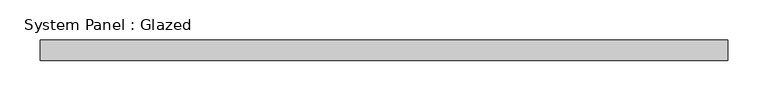
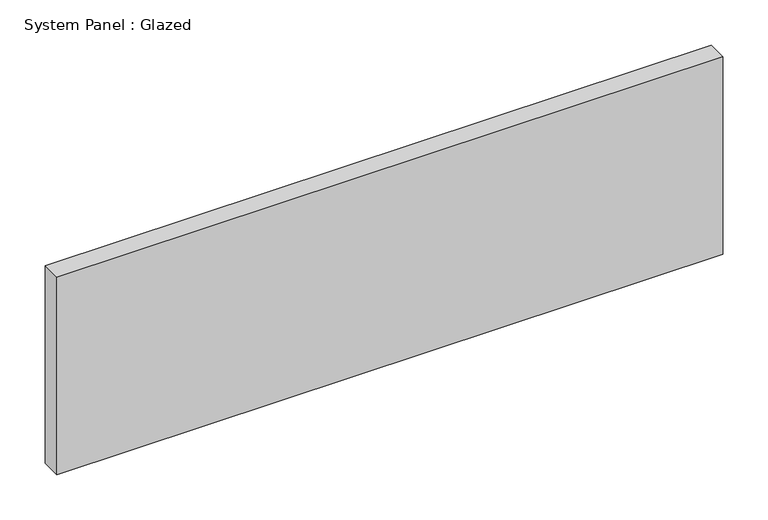
"""IFC4 building model written with IfcOpenShell, lengths in millimetres: plate geometry, System Panel : Glazed."""

from ifc_helpers import new_model, si_unit, origin, origin_with_axes, place, context, project, spatial, polyline, outline, extrude, source, transform, mapped, element, save


def system_panel_glazed_5ec94ecd(model_context):
    return source(origin(), model_context, "Body", "SweptSolid", [
        extrude(outline(polyline([(425.45, 19.05), (-425.45, 19.05), (-425.45, 44.45), (425.45, 44.45), (425.45, 19.05)])), origin_with_axes(), (0.0, 0.0, 1.0), 266.7),
    ])


if __name__ == "__main__":
    model = new_model("IFC4")
    model_context = context("Model", 3, world=origin())
    ifc_project = project(units=[si_unit("LENGTHUNIT", "METRE", prefix="MILLI")], contexts=[model_context])
    site = spatial("IfcSite", under=ifc_project)
    building = spatial("IfcBuilding", under=site)
    placement = place(None, origin())
    system_panel_glazed_shape = system_panel_glazed_5ec94ecd(model_context)
    element("IfcPlate", 1, ObjectType="System Panel : Glazed", at=placement, inside=building, context=model_context, shape_type="MappedRepresentation", body=[
        mapped(system_panel_glazed_shape, transform((0.0, 0.0, 0.0), x_axis=(1.0, 0.0, 0.0), y_axis=(0.0, 1.0, 0.0), z_axis=(0.0, 0.0, 1.0))),
    ])
    save(model, "model.ifc")
